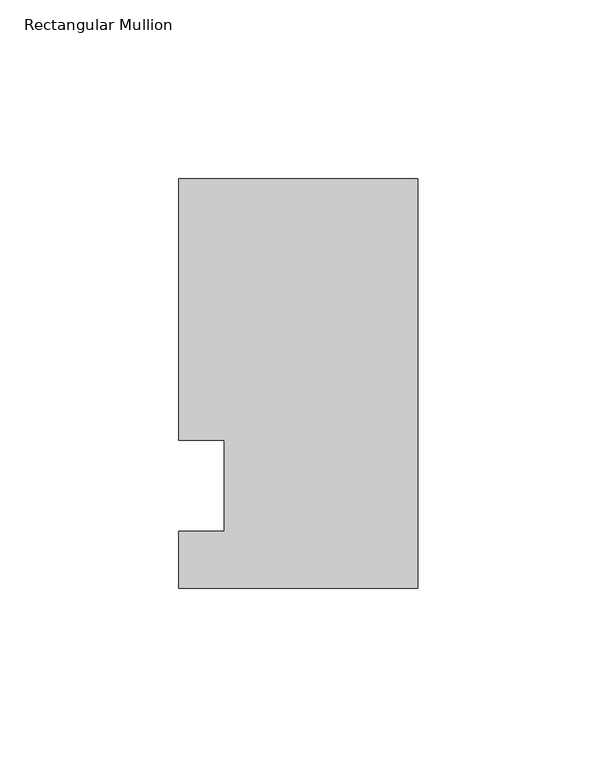
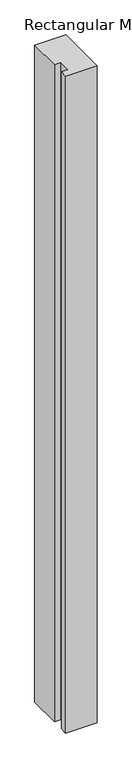
"""IFC4 building model written with IfcOpenShell, lengths in millimetres: member geometry, Rectangular Mullion."""

from ifc_helpers import new_model, si_unit, frame, origin, place, context, project, spatial, polyline, outline, extrude, source, transform, mapped, element, save


def rectangular_mullion_81356a65(model_context):
    return source(origin(), model_context, "Body", "SweptSolid", [
        extrude(outline(polyline([(-66.675, 85.725), (0.0, 85.725), (0.0, -28.575), (-66.675, -28.575), (-66.675, -12.7), (-53.9732296, -12.7), (-53.9732296, 12.7), (-66.675, 12.7), (-66.675, 85.725)])), frame((0.0, 0.0, -1478.28), z_axis=(0.0, 0.0, 1.0), x_axis=(1.0, 0.0, 0.0)), (0.0, 0.0, 1.0), 1478.28),
    ])


if __name__ == "__main__":
    model = new_model("IFC4")
    model_context = context("Model", 3, world=origin())
    ifc_project = project(units=[si_unit("LENGTHUNIT", "METRE", prefix="MILLI")], contexts=[model_context])
    site = spatial("IfcSite", under=ifc_project)
    building = spatial("IfcBuilding", under=site)
    placement = place(None, origin())
    rectangular_mullion_shape = rectangular_mullion_81356a65(model_context)
    element("IfcMember", 1, ObjectType="Rectangular Mullion", at=placement, inside=building, context=model_context, shape_type="MappedRepresentation", body=[
        mapped(rectangular_mullion_shape, transform((0.0, 0.0, 0.0), x_axis=(1.0, 0.0, 0.0), y_axis=(0.0, 1.0, 0.0), z_axis=(0.0, 0.0, 1.0))),
    ])
    save(model, "model.ifc")
